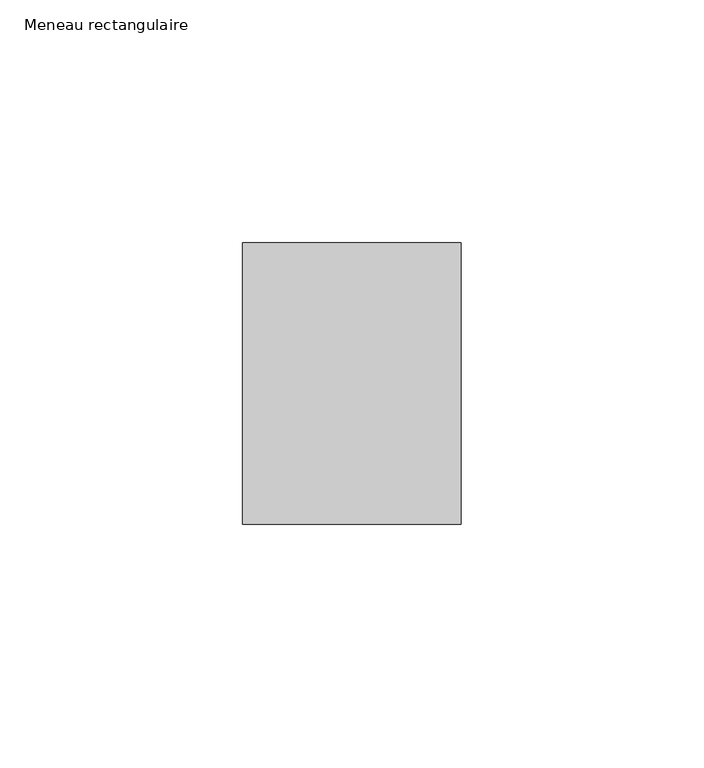
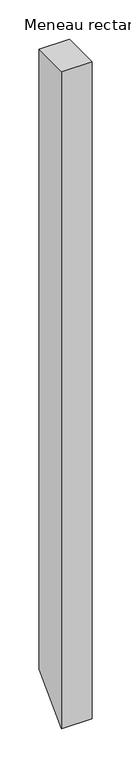
"""IFC4 building model written with IfcOpenShell, lengths in millimetres: member geometry, Meneau rectangulaire."""

from ifc_helpers import new_model, si_unit, frame, origin, place, context, project, spatial, polyline, outline, extrude, source, transform, mapped, element, save


def meneau_rectangulaire_36b1f3de(model_context):
    return source(origin(), model_context, "Body", "SweptSolid", [
        extrude(outline(polyline([(-29.0, 0.0), (29.0, 0.0), (29.0, -966.6707161), (-29.0, -1024.6707161), (-29.0, 0.0)])), frame((-45.0, 0.0, 0.0), z_axis=(1.0, 0.0, 0.0), x_axis=(0.0, 1.0, 0.0)), (0.0, 0.0, 1.0), 45.0),
    ])


if __name__ == "__main__":
    model = new_model("IFC4")
    model_context = context("Model", 3, world=origin())
    ifc_project = project(units=[si_unit("LENGTHUNIT", "METRE", prefix="MILLI")], contexts=[model_context])
    site = spatial("IfcSite", under=ifc_project)
    building = spatial("IfcBuilding", under=site)
    placement = place(None, origin())
    meneau_rectangulaire_shape = meneau_rectangulaire_36b1f3de(model_context)
    element("IfcMember", 1, ObjectType="Meneau rectangulaire", at=placement, inside=building, context=model_context, shape_type="MappedRepresentation", body=[
        mapped(meneau_rectangulaire_shape, transform((0.0, 0.0, 0.0), x_axis=(1.0, 0.0, 0.0), y_axis=(0.0, 1.0, 0.0), z_axis=(0.0, 0.0, 1.0))),
    ])
    save(model, "model.ifc")
